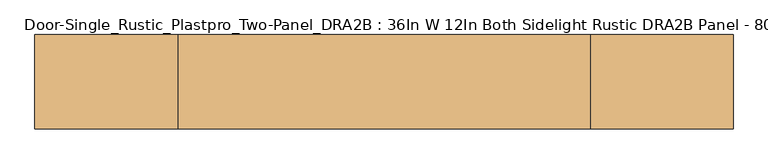
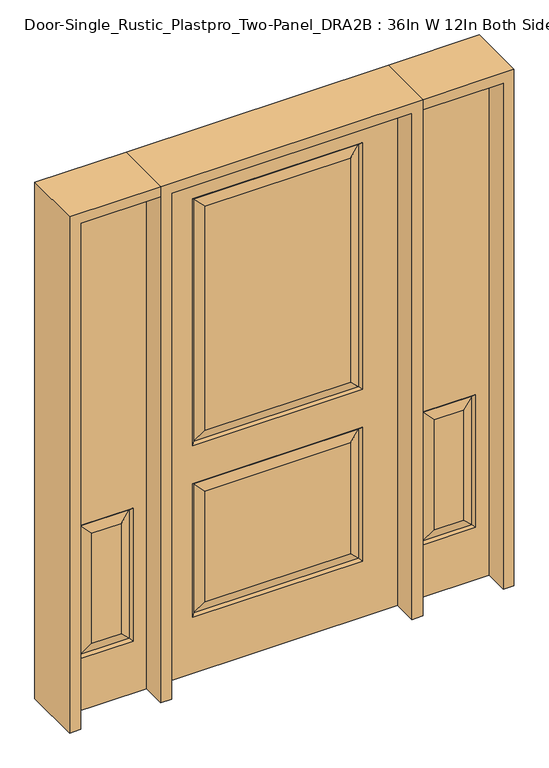
"""IFC4 building model written with IfcOpenShell, lengths in millimetres: door geometry, Door-Single_Rustic_Plastpro_Two-Panel_DRA2B : 36In W 12In Both Sidelight Rustic DRA2B Panel - 80In."""

from ifc_helpers import new_model, si_unit, frame, origin, place, context, project, spatial, polyline, outline, extrude, faceted_brep, source, transform, mapped, element, save


def door_single_rustic_plastpro_two_panel_dra2b_36in_w_12in_both_376751cb(model_context):
    return source(origin(), model_context, "Body", "SolidModel", [
        faceted_brep([(803.275, -20.6375, 0.0), (803.275, -20.6375, 2032.0), (498.475, -20.6375, 2032.0), (498.475, -20.6375, 0.0), (549.275, -20.6375, 209.55), (549.275, -20.6375, 742.95), (752.475, -20.6375, 742.95), (752.475, -20.6375, 209.55), (706.4375, -20.6375, 255.5875), (706.4375, -20.6375, 696.9125), (595.3125, -20.6375, 696.9125), (595.3125, -20.6375, 255.5875), (498.475, 20.6375, 0.0), (803.275, 20.6375, 0.0), (498.475, 20.6375, 2032.0), (803.275, 20.6375, 2032.0), (558.2552561, -11.6572439, 218.5302561), (743.4947439, -11.6572439, 218.5302561), (743.4947439, -11.6572439, 733.9697439), (558.2552561, -11.6572439, 733.9697439), (752.475, 20.6375, 209.55), (752.475, 20.6375, 742.95), (549.275, 20.6375, 742.95), (549.275, 20.6375, 209.55), (595.3125, 20.6375, 255.5875), (595.3125, 20.6375, 696.9125), (706.4375, 20.6375, 696.9125), (706.4375, 20.6375, 255.5875), (558.2552561, 11.6572439, 218.5302561), (743.4947439, 11.6572439, 218.5302561), (558.2552561, 11.6572439, 733.9697439), (743.4947439, 11.6572439, 733.9697439)], [[[0, 1, 2, 3], [4, 5, 6, 7]], [[8, 9, 10, 11]], [[3, 12, 13, 0]], [[2, 14, 12, 3]], [[0, 13, 15, 1]], [[16, 4, 7, 17]], [[7, 6, 18, 17]], [[6, 5, 19, 18]], [[16, 19, 5, 4]], [[17, 8, 11, 16]], [[11, 10, 19, 16]], [[18, 19, 10, 9]], [[17, 18, 9, 8]], [[13, 12, 14, 15], [20, 21, 22, 23]], [[24, 25, 26, 27]], [[20, 23, 28, 29]], [[23, 22, 30, 28]], [[31, 30, 22, 21]], [[29, 31, 21, 20]], [[28, 24, 27, 29]], [[27, 26, 31, 29]], [[26, 25, 30, 31]], [[28, 30, 25, 24]], [[1, 15, 14, 2]]]),
        faceted_brep([(-803.275, -20.6375, 0.0), (-498.475, -20.6375, 0.0), (-498.475, -20.6375, 2032.0), (-803.275, -20.6375, 2032.0), (-549.275, -20.6375, 209.55), (-752.475, -20.6375, 209.55), (-752.475, -20.6375, 742.95), (-549.275, -20.6375, 742.95), (-706.4375, -20.6375, 255.5875), (-595.3125, -20.6375, 255.5875), (-595.3125, -20.6375, 696.9125), (-706.4375, -20.6375, 696.9125), (-803.275, 20.6375, 0.0), (-498.475, 20.6375, 0.0), (-498.475, 20.6375, 2032.0), (-803.275, 20.6375, 2032.0), (-558.2552561, -11.6572439, 218.5302561), (-743.4947439, -11.6572439, 218.5302561), (-743.4947439, -11.6572439, 733.9697439), (-558.2552561, -11.6572439, 733.9697439), (-752.475, 20.6375, 209.55), (-549.275, 20.6375, 209.55), (-549.275, 20.6375, 742.95), (-752.475, 20.6375, 742.95), (-595.3125, 20.6375, 255.5875), (-706.4375, 20.6375, 255.5875), (-706.4375, 20.6375, 696.9125), (-595.3125, 20.6375, 696.9125), (-743.4947439, 11.6572439, 218.5302561), (-558.2552561, 11.6572439, 218.5302561), (-558.2552561, 11.6572439, 733.9697439), (-743.4947439, 11.6572439, 733.9697439)], [[[0, 1, 2, 3], [4, 5, 6, 7]], [[8, 9, 10, 11]], [[1, 0, 12, 13]], [[2, 1, 13, 14]], [[0, 3, 15, 12]], [[16, 17, 5, 4]], [[5, 17, 18, 6]], [[6, 18, 19, 7]], [[16, 4, 7, 19]], [[17, 16, 9, 8]], [[9, 16, 19, 10]], [[18, 11, 10, 19]], [[17, 8, 11, 18]], [[12, 15, 14, 13], [20, 21, 22, 23]], [[24, 25, 26, 27]], [[20, 28, 29, 21]], [[21, 29, 30, 22]], [[31, 23, 22, 30]], [[28, 20, 23, 31]], [[29, 28, 25, 24]], [[25, 28, 31, 26]], [[26, 31, 30, 27]], [[29, 24, 27, 30]], [[3, 2, 14, 15]]]),
        faceted_brep([(457.2, 20.6375, 0.0), (457.2, -20.6375, 0.0), (-457.2, -20.6375, 0.0), (-457.2, 20.6375, 0.0), (457.2, 20.6375, 2032.0), (457.2, -20.6375, 2032.0), (-276.225, -20.6375, 960.4375), (276.225, -20.6375, 960.4375), (276.225, -20.6375, 1858.9625), (-276.225, -20.6375, 1858.9625), (-276.225, -20.6375, 271.4625), (276.225, -20.6375, 271.4625), (276.225, -20.6375, 715.9625), (-276.225, -20.6375, 715.9625), (-457.2, -20.6375, 2032.0), (322.2625, -20.6375, 914.4), (-322.2625, -20.6375, 914.4), (-322.2625, -20.6375, 1905.0), (322.2625, -20.6375, 1905.0), (322.2625, -20.6375, 225.425), (-322.2625, -20.6375, 225.425), (-322.2625, -20.6375, 762.0), (322.2625, -20.6375, 762.0), (-457.2, 20.6375, 2032.0), (-276.225, 20.6375, 715.9625), (276.225, 20.6375, 715.9625), (276.225, 20.6375, 271.4625), (-276.225, 20.6375, 271.4625), (-276.225, 20.6375, 1858.9625), (276.225, 20.6375, 1858.9625), (276.225, 20.6375, 960.4375), (-276.225, 20.6375, 960.4375), (322.2625, 20.6375, 762.0), (-322.2625, 20.6375, 762.0), (-322.2625, 20.6375, 225.425), (322.2625, 20.6375, 225.425), (322.2625, 20.6375, 1905.0), (-322.2625, 20.6375, 1905.0), (-322.2625, 20.6375, 914.4), (322.2625, 20.6375, 914.4), (-313.2822439, 11.6572439, 1896.0197439), (-313.2822439, 11.6572439, 923.3802561), (313.2822439, 11.6572439, 923.3802561), (313.2822439, 11.6572439, 1896.0197439), (313.2822439, 11.6572439, 753.0197439), (-313.2822439, 11.6572439, 753.0197439), (-313.2822439, 11.6572439, 234.4052561), (313.2822439, 11.6572439, 234.4052561), (313.2822439, -11.6572439, 923.3802561), (-313.2822439, -11.6572439, 923.3802561), (-313.2822439, -11.6572439, 1896.0197439), (313.2822439, -11.6572439, 1896.0197439), (313.2822439, -11.6572439, 234.4052561), (-313.2822439, -11.6572439, 234.4052561), (-313.2822439, -11.6572439, 753.0197439), (313.2822439, -11.6572439, 753.0197439)], [[[0, 1, 2, 3]], [[4, 5, 1, 0]], [[6, 7, 8, 9]], [[10, 11, 12, 13]], [[5, 14, 2, 1], [15, 16, 17, 18], [19, 20, 21, 22]], [[14, 23, 3, 2]], [[24, 25, 26, 27]], [[28, 29, 30, 31]], [[23, 4, 0, 3], [32, 33, 34, 35], [36, 37, 38, 39]], [[37, 40, 41, 38]], [[38, 41, 42, 39]], [[43, 36, 39, 42]], [[29, 43, 42, 30]], [[41, 31, 30, 42]], [[40, 28, 31, 41]], [[44, 45, 33, 32]], [[33, 45, 46, 34]], [[34, 46, 47, 35]], [[44, 32, 35, 47]], [[45, 44, 25, 24]], [[25, 44, 47, 26]], [[46, 27, 26, 47]], [[45, 24, 27, 46]], [[48, 49, 16, 15]], [[16, 49, 50, 17]], [[48, 15, 18, 51]], [[49, 48, 7, 6]], [[7, 48, 51, 8]], [[49, 6, 9, 50]], [[52, 53, 20, 19]], [[20, 53, 54, 21]], [[21, 54, 55, 22]], [[52, 19, 22, 55]], [[53, 52, 11, 10]], [[11, 52, 55, 12]], [[54, 13, 12, 55]], [[53, 10, 13, 54]], [[4, 23, 14, 5]], [[17, 50, 51, 18]], [[50, 9, 8, 51]], [[43, 40, 37, 36]], [[40, 43, 29, 28]]]),
        extrude(outline(polyline([(2032.0, -498.475), (2073.275, -498.475), (2073.275, -844.55), (0.0, -844.55), (0.0, -803.275), (2032.0, -803.275), (2032.0, -498.475)])), frame((0.0, -114.3, 0.0), z_axis=(0.0, 1.0, 0.0), x_axis=(0.0, 0.0, 1.0)), (0.0, 0.0, 1.0), 228.6),
        extrude(outline(polyline([(2073.275, -498.475), (0.0, -498.475), (0.0, -457.2), (2032.0, -457.2), (2032.0, 457.2), (0.0, 457.2), (0.0, 498.475), (2073.275, 498.475), (2073.275, -498.475)])), frame((0.0, -114.3, 0.0), z_axis=(0.0, 1.0, 0.0), x_axis=(0.0, 0.0, 1.0)), (0.0, 0.0, 1.0), 228.6),
        extrude(outline(polyline([(0.0, 803.275), (0.0, 844.55), (2073.275, 844.55), (2073.275, 498.475), (2032.0, 498.475), (2032.0, 803.275), (0.0, 803.275)])), frame((0.0, -114.3, 0.0), z_axis=(0.0, 1.0, 0.0), x_axis=(0.0, 0.0, 1.0)), (0.0, 0.0, 1.0), 228.6),
    ])


if __name__ == "__main__":
    model = new_model("IFC4")
    model_context = context("Model", 3, world=origin())
    ifc_project = project(units=[si_unit("LENGTHUNIT", "METRE", prefix="MILLI")], contexts=[model_context])
    site = spatial("IfcSite", under=ifc_project)
    building = spatial("IfcBuilding", under=site)
    placement = place(None, origin())
    door_single_rustic_plastpro_two_panel_dra2b_36in_w_12in_both_shape = door_single_rustic_plastpro_two_panel_dra2b_36in_w_12in_both_376751cb(model_context)
    element("IfcDoor", 1, ObjectType="Door-Single_Rustic_Plastpro_Two-Panel_DRA2B : 36In W 12In Both Sidelight Rustic DRA2B Panel - 80In", at=placement, inside=building, context=model_context, shape_type="MappedRepresentation", body=[
        mapped(door_single_rustic_plastpro_two_panel_dra2b_36in_w_12in_both_shape, transform((0.0, 0.0, 0.0), x_axis=(1.0, 0.0, 0.0), y_axis=(0.0, 1.0, 0.0), z_axis=(0.0, 0.0, 1.0))),
    ])
    save(model, "model.ifc")
